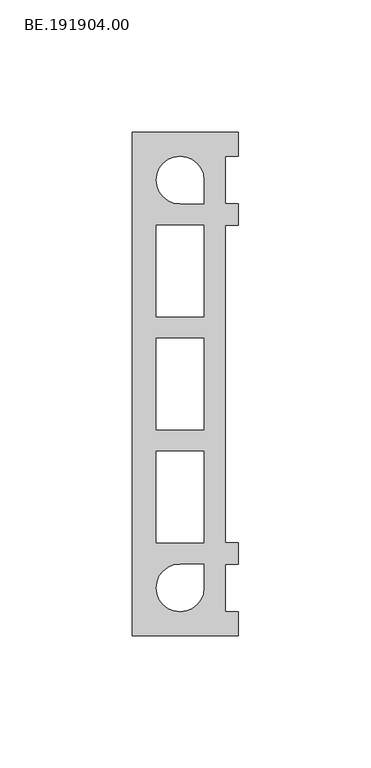
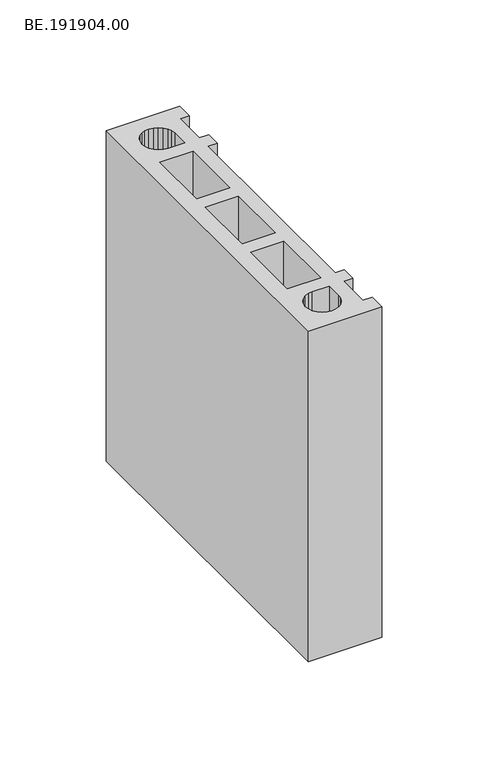
"""IFC4 building model written with IfcOpenShell, lengths in millimetres: proxy geometry, BE.191904.00."""

from ifc_helpers import new_model, si_unit, origin, origin_with_axes, place, context, project, spatial, polyline, outline, extrude, source, transform, mapped, element, save


def be_191904_00_698c4ebe(model_context):
    return source(origin(), model_context, "Body", "SweptSolid", [
        extrude(outline(polyline([(5.0, 95.0050293), (45.0, 95.0050293), (45.0, 85.9823242), (39.9956543, 85.9823242), (39.9956543, 67.9927246), (45.0, 67.9927246), (45.0, 59.9932129), (39.9956543, 59.9932129), (39.9956543, -60.0118164), (45.0, -60.0118164), (45.0, -68.0113281), (39.9956543, -68.0113281), (39.9956543, -86.0195312), (45.0, -86.0195312), (45.0, -95.0050293), (5.0, -95.0050293), (5.0, 95.0050293)]), holes=[polyline([(18.4899902, 84.7730957), (16.6296387, 83.3592285), (15.197168, 81.4802734), (14.3041992, 79.3222656), (13.9879395, 76.9782227), (14.3041992, 74.6527832), (15.197168, 72.4947754), (16.6296387, 70.6158203), (18.4899902, 69.2019531), (20.6666016, 68.2903809), (22.992041, 67.9927246), (31.9961426, 67.9927246), (31.9961426, 76.9782227), (31.6798828, 79.3222656), (30.7869141, 81.4802734), (29.3544434, 83.3592285), (27.4940918, 84.7730957), (25.3174805, 85.684668), (22.992041, 85.9823242), (20.6666016, 85.684668), (18.4899902, 84.7730957)]), polyline([(13.9879395, 59.9932129), (13.9879395, 25.3379883), (31.9961426, 25.3379883), (31.9961426, 59.9932129), (13.9879395, 59.9932129)]), polyline([(13.9879395, -60.0118164), (31.9961426, -60.0118164), (31.9961426, -25.3379883), (13.9879395, -25.3379883), (13.9879395, -60.0118164)]), polyline([(31.9961426, -68.0113281), (22.992041, -68.0113281), (20.6666016, -68.3275879), (18.4899902, -69.2205566), (16.6296387, -70.6530273), (15.197168, -72.5133789), (14.3041992, -74.6899902), (13.9879395, -77.0154297), (14.3041992, -79.3408691), (15.197168, -81.5174805), (16.6296387, -83.377832), (18.4899902, -84.8103027), (20.6666016, -85.7032715), (22.992041, -86.0195312), (25.3174805, -85.7032715), (27.4940918, -84.8103027), (29.3544434, -83.377832), (30.7869141, -81.5174805), (31.6798828, -79.3408691), (31.9961426, -77.0154297), (31.9961426, -68.0113281)]), polyline([(13.9879395, -17.3353516), (31.9961426, -17.3353516), (31.9961426, 17.3384766), (13.9879395, 17.3384766), (13.9879395, -17.3353516)])]), origin_with_axes(), (0.0, 0.0, 1.0), 190.0),
    ])


if __name__ == "__main__":
    model = new_model("IFC4")
    model_context = context("Model", 3, world=origin())
    ifc_project = project(units=[si_unit("LENGTHUNIT", "METRE", prefix="MILLI")], contexts=[model_context])
    site = spatial("IfcSite", under=ifc_project)
    building = spatial("IfcBuilding", under=site)
    placement = place(None, origin())
    be_191904_00_shape = be_191904_00_698c4ebe(model_context)
    element("IfcBuildingElementProxy", 1, Name="BE.191904.00", ObjectType="BE.191904.00", at=placement, inside=building, context=model_context, shape_type="MappedRepresentation", body=[
        mapped(be_191904_00_shape, transform((0.0, 0.0, 0.0), x_axis=(1.0, 0.0, 0.0), y_axis=(0.0, 1.0, 0.0), z_axis=(0.0, 0.0, 1.0))),
    ])
    save(model, "model.ifc")
